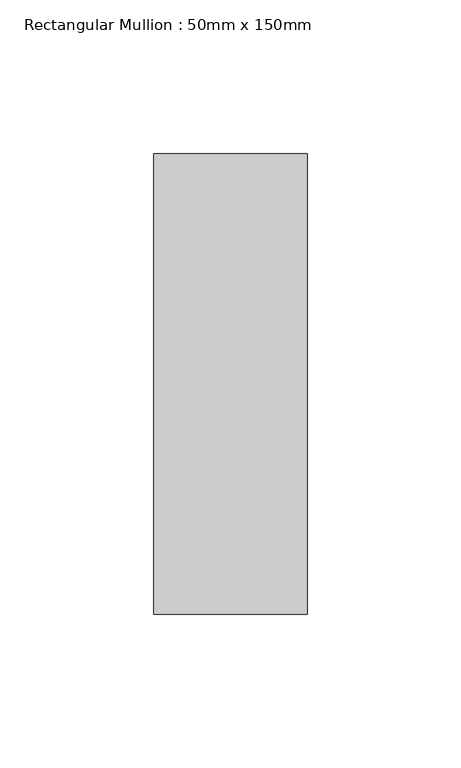
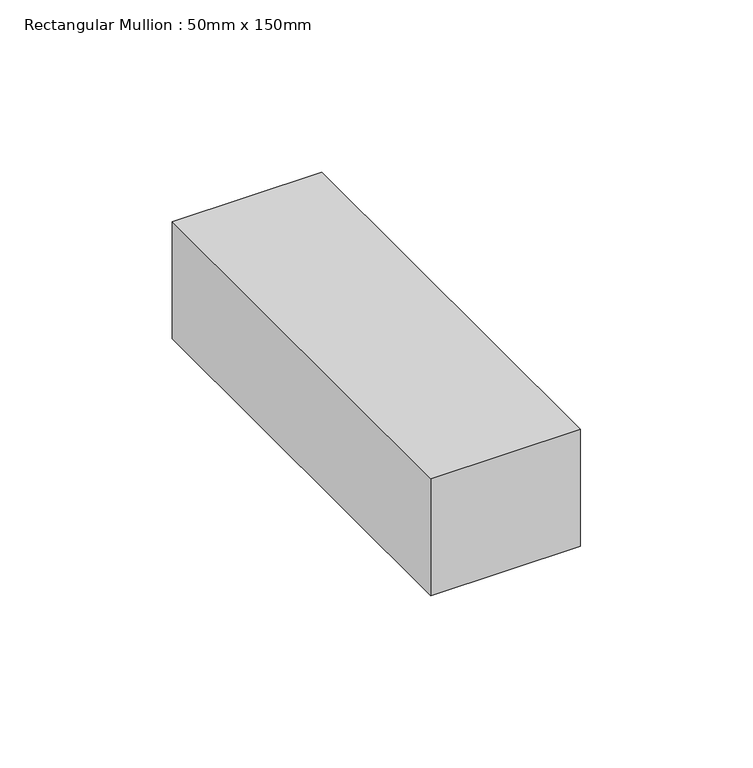
"""IFC4 building model written with IfcOpenShell, lengths in millimetres: member geometry, Rectangular Mullion : 50mm x 150mm."""

from ifc_helpers import new_model, si_unit, frame, origin, place, context, project, spatial, polyline, outline, extrude, source, transform, mapped, element, save


def rectangular_mullion_50mm_x_150mm_015e395f(model_context):
    return source(origin(), model_context, "Body", "SweptSolid", [
        extrude(outline(polyline([(25.0, 75.0), (25.0, -75.0), (-25.0, -75.0), (-25.0, 75.0), (25.0, 75.0)])), frame((0.0, 0.0, -41.3962168), z_axis=(0.0, 0.0, 1.0), x_axis=(1.0, 0.0, 0.0)), (0.0, 0.0, 1.0), 41.3962168),
    ])


if __name__ == "__main__":
    model = new_model("IFC4")
    model_context = context("Model", 3, world=origin())
    ifc_project = project(units=[si_unit("LENGTHUNIT", "METRE", prefix="MILLI")], contexts=[model_context])
    site = spatial("IfcSite", under=ifc_project)
    building = spatial("IfcBuilding", under=site)
    placement = place(None, origin())
    rectangular_mullion_50mm_x_150mm_shape = rectangular_mullion_50mm_x_150mm_015e395f(model_context)
    element("IfcMember", 1, ObjectType="Rectangular Mullion : 50mm x 150mm", at=placement, inside=building, context=model_context, shape_type="MappedRepresentation", body=[
        mapped(rectangular_mullion_50mm_x_150mm_shape, transform((0.0, 0.0, 0.0), x_axis=(1.0, 0.0, 0.0), y_axis=(0.0, 1.0, 0.0), z_axis=(0.0, 0.0, 1.0))),
    ])
    save(model, "model.ifc")
